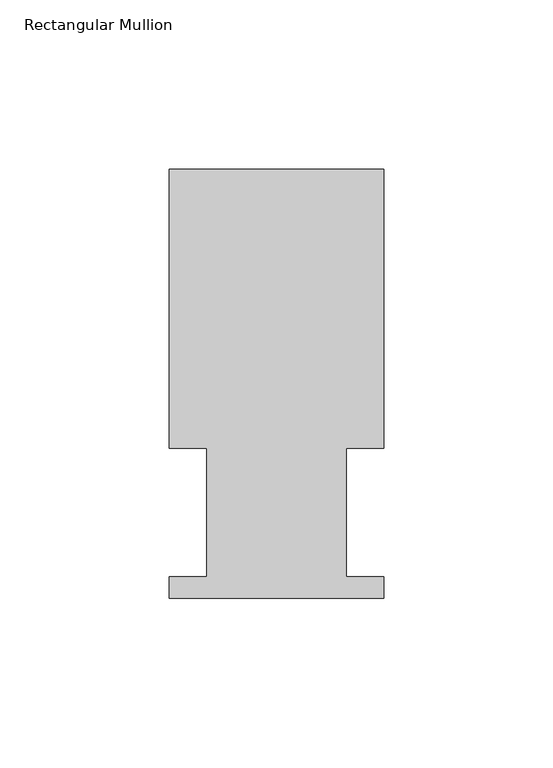
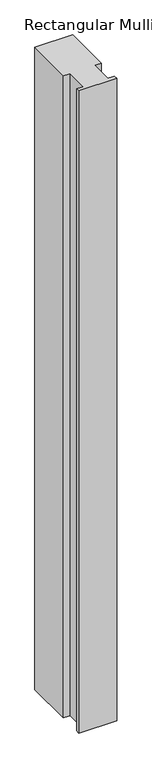
"""IFC4 building model written with IfcOpenShell, lengths in millimetres: member geometry, Rectangular Mullion."""

from ifc_helpers import new_model, si_unit, frame, origin, place, context, project, spatial, polyline, outline, extrude, source, transform, mapped, element, save


def rectangular_mullion_4a1edf6f(model_context):
    return source(origin(), model_context, "Body", "SweptSolid", [
        extrude(outline(polyline([(31.75, 127.0), (31.75, 44.45), (20.6375, 44.45), (20.6375, 6.35), (31.75, 6.35), (31.75, 0.0), (-31.75, 0.0), (-31.75, 6.35), (-20.6375, 6.35), (-20.6375, 44.45), (-31.75, 44.45), (-31.75, 127.0), (31.75, 127.0)])), frame((0.0, 0.0, -1136.6495636), z_axis=(0.0, 0.0, 1.0), x_axis=(1.0, 0.0, 0.0)), (0.0, 0.0, 1.0), 1136.6495636),
    ])


if __name__ == "__main__":
    model = new_model("IFC4")
    model_context = context("Model", 3, world=origin())
    ifc_project = project(units=[si_unit("LENGTHUNIT", "METRE", prefix="MILLI")], contexts=[model_context])
    site = spatial("IfcSite", under=ifc_project)
    building = spatial("IfcBuilding", under=site)
    placement = place(None, origin())
    rectangular_mullion_shape = rectangular_mullion_4a1edf6f(model_context)
    element("IfcMember", 1, ObjectType="Rectangular Mullion", at=placement, inside=building, context=model_context, shape_type="MappedRepresentation", body=[
        mapped(rectangular_mullion_shape, transform((0.0, 0.0, 0.0), x_axis=(1.0, 0.0, 0.0), y_axis=(0.0, 1.0, 0.0), z_axis=(0.0, 0.0, 1.0))),
    ])
    save(model, "model.ifc")
